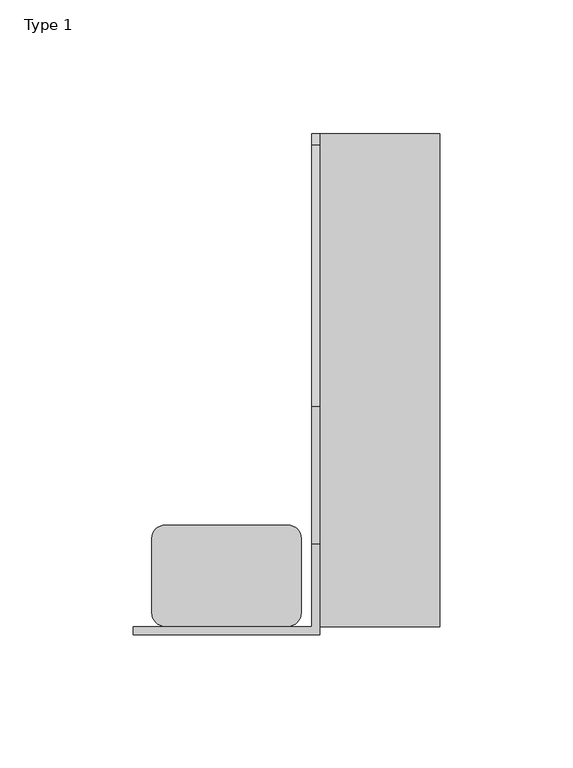
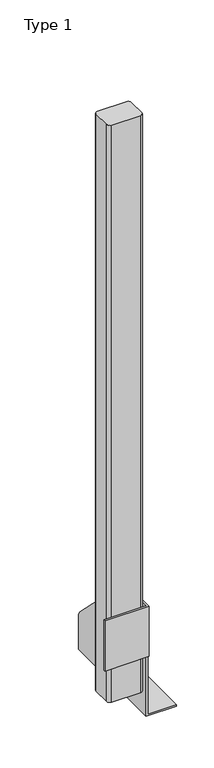
"""IFC4 building model written with IfcOpenShell, lengths in millimetres: railing geometry, Type 1."""

from ifc_helpers import new_model, si_unit, point, frame, frame_2d, origin, place, context, project, spatial, polyline, circle_curve, trimmed, segment, composite_curve, outline, extrude, source, transform, mapped, element, save
from ifc_brep_helpers import plane_surface, cylinder_surface, revolved_surface, advanced_brep


def type_1_0c5b25f1(model_context):
    return source(origin(), model_context, "Body", "SolidModel", [
        advanced_brep(
        [(60.0, -185.0, 185.0), (60.0, -154.0180942, 185.0), (60.0, -102.485009, 163.6542972), (60.0, -4.3933983, 65.5626865), (60.0, 0.0, 54.9560848), (60.0, 0.0, 0.0), (60.0, -185.0, 0.0), (60.0, -185.0, 100.9768514), (60.0, -98.1257325, 93.0361974), (60.0, -86.9136113, 93.0361974), (60.0, -165.5151515, 171.6377376), (60.0, -171.1212121, 166.031677), (60.0, -171.1212121, 143.5676849), (60.0, -159.9090909, 143.5676849), (60.0, -159.9090909, 157.7293746), (60.0, -157.417745, 159.9373618), (63.0, 0.0, 54.9560848), (63.0, -4.3933983, 65.5626865), (63.0, -102.485009, 163.6542972), (63.0, -154.0180942, 185.0), (63.0, -188.0, 185.0), (63.0, -188.0, 100.9768514), (63.0, -185.0, 100.9768514), (63.0, -185.0, 2.5), (63.0, 0.0, 2.5), (63.0, -98.1257325, 93.0361974), (63.0, -157.417745, 159.9373618), (63.0, -159.9090909, 157.7293746), (63.0, -159.9090909, 143.5676849), (63.0, -171.1212121, 143.5676849), (63.0, -171.1212121, 166.031677), (63.0, -165.5151515, 171.6377376), (63.0, -86.9136113, 93.0361974), (-7.0, -185.0, 185.0), (-7.0, -188.0, 185.0), (108.0, 0.0, 2.5), (108.0, 0.0, 0.0), (108.0, -185.0, 0.0), (108.0, -185.0, 2.5), (-7.0, -188.0, 100.9768514), (-7.0, -185.0, 100.9768514)],
        [
            (0, 1),
            (1, 2, circle_curve(frame((60.0, -154.0180942, 112.1212121), z_axis=(-1.0, 0.0, 0.0), x_axis=(0.0, -1.0, 0.0)), 72.8787879)),
            (2, 3),
            (3, 4, circle_curve(frame((60.0, -15.0, 54.9560848), z_axis=(-1.0, 0.0, 0.0), x_axis=(0.0, -1.0, 0.0)), 15.0)),
            (4, 5),
            (5, 6),
            (6, 7),
            (7, 0),
            (8, 9, circle_curve(frame((60.0, -92.5196719, 93.0361974), z_axis=(1.0, 0.0, 0.0), x_axis=(0.0, -1.0, 0.0)), 5.6060606)),
            (9, 10, circle_curve(frame((60.0, -165.5151515, 93.0361974), z_axis=(1.0, 0.0, 0.0), x_axis=(0.0, -1.0, 0.0)), 78.6015402)),
            (10, 11, circle_curve(frame((60.0, -165.5151515, 166.031677), z_axis=(1.0, 0.0, 0.0), x_axis=(0.0, -1.0, 0.0)), 5.6060606)),
            (11, 12),
            (12, 13, circle_curve(frame((60.0, -165.5151515, 143.5676849), z_axis=(1.0, 0.0, 0.0), x_axis=(0.0, -1.0, 0.0)), 5.6060606)),
            (13, 14),
            (14, 15, circle_curve(frame((60.0, -157.6849895, 157.7293746), z_axis=(-1.0, 0.0, 0.0), x_axis=(0.0, -1.0, 0.0)), 2.2241014)),
            (15, 8, circle_curve(frame((60.0, -165.5151515, 93.0361974), z_axis=(-1.0, 0.0, 0.0), x_axis=(0.0, -1.0, 0.0)), 67.389419)),
            (16, 17, circle_curve(frame((63.0, -15.0, 54.9560848), z_axis=(1.0, 0.0, 0.0), x_axis=(0.0, -1.0, 0.0)), 15.0)),
            (17, 18),
            (18, 19, circle_curve(frame((63.0, -154.0180942, 112.1212121), z_axis=(1.0, 0.0, 0.0), x_axis=(0.0, -1.0, 0.0)), 72.8787879)),
            (19, 20),
            (20, 21),
            (21, 22),
            (22, 23),
            (23, 24),
            (24, 16),
            (25, 26, circle_curve(frame((63.0, -165.5151515, 93.0361974), z_axis=(1.0, 0.0, 0.0), x_axis=(0.0, -1.0, 0.0)), 67.389419)),
            (26, 27, circle_curve(frame((63.0, -157.6849895, 157.7293746), z_axis=(1.0, 0.0, 0.0), x_axis=(0.0, -1.0, 0.0)), 2.2241014)),
            (27, 28),
            (28, 29, circle_curve(frame((63.0, -165.5151515, 143.5676849), z_axis=(-1.0, 0.0, 0.0), x_axis=(0.0, -1.0, 0.0)), 5.6060606)),
            (29, 30),
            (30, 31, circle_curve(frame((63.0, -165.5151515, 166.031677), z_axis=(-1.0, 0.0, 0.0), x_axis=(0.0, -1.0, 0.0)), 5.6060606)),
            (31, 32, circle_curve(frame((63.0, -165.5151515, 93.0361974), z_axis=(-1.0, 0.0, 0.0), x_axis=(0.0, -1.0, 0.0)), 78.6015402)),
            (32, 25, circle_curve(frame((63.0, -92.5196719, 93.0361974), z_axis=(-1.0, 0.0, 0.0), x_axis=(0.0, -1.0, 0.0)), 5.6060606)),
            (0, 33),
            (33, 34),
            (34, 20),
            (19, 1),
            (18, 2),
            (17, 3),
            (16, 4),
            (24, 35),
            (35, 36),
            (36, 5),
            (36, 37),
            (37, 6),
            (37, 38),
            (38, 23),
            (22, 7),
            (8, 25),
            (32, 9),
            (31, 10),
            (30, 11),
            (15, 26),
            (29, 12),
            (28, 13),
            (27, 14),
            (34, 39),
            (39, 21),
            (40, 33),
            (7, 40),
            (40, 39),
            (38, 35),
        ],
        [
            plane_surface(frame((60.0, -183.2270223, 185.0), z_axis=(-1.0, 0.0, 0.0), x_axis=(0.0, 1.0, 0.0))),
            plane_surface(frame((63.0, -183.2270223, 185.0), z_axis=(1.0, 0.0, 0.0), x_axis=(0.0, -1.0, 0.0))),
            plane_surface(frame((60.0, -185.0, 185.0), z_axis=(0.0, 0.0, 1.0), x_axis=(1.0, 0.0, 0.0))),
            cylinder_surface(frame((63.0, -154.0180942, 112.1212121), z_axis=(-1.0, 0.0, 0.0), x_axis=(0.0, -1.0, 0.0)), 72.8787879),
            plane_surface(frame((60.0, -102.485009, 163.6542972), z_axis=(0.0, 0.7071067811865421, 0.707106781186553), x_axis=(1.0, 0.0, 0.0))),
            cylinder_surface(frame((63.0, -15.0, 54.9560848), z_axis=(-1.0, 0.0, 0.0), x_axis=(0.0, -1.0, 0.0)), 15.0),
            plane_surface(frame((60.0, 0.0, 54.9560848), z_axis=(0.0, 1.0, 0.0), x_axis=(1.0, 0.0, 0.0))),
            plane_surface(frame((60.0, 0.0, 0.0), z_axis=(0.0, 0.0, -1.0), x_axis=(1.0, 0.0, 0.0))),
            plane_surface(frame((60.0, -185.0, 0.0), z_axis=(0.0, -1.0, 0.0), x_axis=(1.0, 0.0, 0.0))),
            revolved_surface(polyline([(63.0, -98.12573250000001, 93.0361974), (60.0, -98.12573250000001, 93.0361974)]), (63.0, -92.5196719, 93.0361974), (1.0, 0.0, 0.0)),
            revolved_surface(polyline([(63.0, -244.1166917, 93.0361974), (60.0, -244.1166917, 93.0361974)]), (63.0, -165.5151515, 93.0361974), (1.0, 0.0, 0.0)),
            revolved_surface(polyline([(63.0, -171.1212121, 166.031677), (60.0, -171.1212121, 166.031677)]), (63.0, -165.5151515, 166.031677), (1.0, 0.0, 0.0)),
            cylinder_surface(frame((63.0, -165.5151515, 93.0361974), z_axis=(-1.0, 0.0, 0.0), x_axis=(0.0, -1.0, 0.0)), 67.389419),
            plane_surface(frame((60.0, -171.1212121, 166.031677), z_axis=(0.0, 1.0, 0.0), x_axis=(1.0, 0.0, 0.0))),
            revolved_surface(polyline([(63.0, -171.1212121, 143.5676849), (60.0, -171.1212121, 143.5676849)]), (63.0, -165.5151515, 143.5676849), (1.0, 0.0, 0.0)),
            plane_surface(frame((60.0, -159.9090909, 143.5676849), z_axis=(0.0, -1.0, 0.0), x_axis=(1.0, 0.0, 0.0))),
            cylinder_surface(frame((63.0, -157.6849895, 157.7293746), z_axis=(-1.0, 0.0, 0.0), x_axis=(0.0, -1.0, 0.0)), 2.2241014),
            plane_surface(frame((-7.0, -188.0, 185.0), z_axis=(0.0, -1.0, 0.0), x_axis=(-1.0, 0.0, 0.0))),
            plane_surface(frame((-7.0, -185.0, 185.0), z_axis=(0.0, 1.0, 0.0), x_axis=(1.0, 0.0, 0.0))),
            plane_surface(frame((-7.0, -188.0, 185.0), z_axis=(-1.0, 0.0, 0.0), x_axis=(0.0, 1.0, 0.0))),
            plane_surface(frame((-7.0, -188.0, 100.9768514), z_axis=(0.0, 0.0, -1.0), x_axis=(0.0, 1.0, 0.0))),
            plane_surface(frame((108.0, -185.0, 2.5), z_axis=(0.0, 0.0, 1.0), x_axis=(0.0, 1.0, 0.0))),
            plane_surface(frame((108.0, -185.0, 2.5), z_axis=(1.0, 0.0, 0.0), x_axis=(0.0, 0.0, -1.0))),
        ],
        [
            (0, [[1, 2, 3, 4, 5, 6, 7, 8], [9, 10, 11, 12, 13, 14, 15, 16]]),
            (1, [[17, 18, 19, 20, 21, 22, 23, 24, 25], [26, 27, 28, 29, 30, 31, 32, 33]]),
            (2, [[-1, 34, 35, 36, -20, 37]]),
            (3, [[-2, -37, -19, 38]]),
            (4, [[-3, -38, -18, 39]]),
            (5, [[-4, -39, -17, 40]]),
            (6, [[-5, -40, -25, 41, 42, 43]]),
            (7, [[-6, -43, 44, 45]]),
            (8, [[-45, 46, 47, -23, 48, -7]]),
            (9, [[-9, 49, -33, 50]]),
            (10, [[-10, -50, -32, 51]]),
            (11, [[-11, -51, -31, 52]]),
            (12, [[-16, 53, -26, -49]]),
            (13, [[-12, -52, -30, 54]]),
            (14, [[-13, -54, -29, 55]]),
            (15, [[-14, -55, -28, 56]]),
            (16, [[-15, -56, -27, -53]]),
            (17, [[-36, 57, 58, -21]]),
            (18, [[59, -34, -8, 60]]),
            (19, [[-57, -35, -59, 61]]),
            (20, [[-58, -61, -60, -48, -22]]),
            (21, [[62, -41, -24, -47]]),
            (22, [[-62, -46, -44, -42]]),
        ],
    ),
        extrude(outline(composite_curve([segment(trimmed(circle_curve(frame_2d((5.0, -180.0)), 5.0), [point((5.0, -185.0))], [point((0.0, -180.0))], False, "CARTESIAN"), True, "CONTINUOUS"), segment(polyline([(0.0, -180.0), (0.0, -152.0)]), True, "CONTINUOUS"), segment(trimmed(circle_curve(frame_2d((5.0, -152.0)), 5.0), [point((0.0, -152.0))], [point((5.0, -147.0))], False, "CARTESIAN"), True, "CONTINUOUS"), segment(polyline([(5.0, -147.0), (51.0, -147.0)]), True, "CONTINUOUS"), segment(trimmed(circle_curve(frame_2d((51.0, -152.0)), 5.0), [point((51.0, -147.0))], [point((56.0, -152.0))], False, "CARTESIAN"), True, "CONTINUOUS"), segment(polyline([(56.0, -152.0), (56.0, -180.0)]), True, "CONTINUOUS"), segment(trimmed(circle_curve(frame_2d((51.0, -180.0)), 5.0), [point((56.0, -180.0))], [point((51.0, -185.0))], False, "CARTESIAN"), True, "CONTINUOUS"), segment(polyline([(51.0, -185.0), (5.0, -185.0)]), True, "CONTINUOUS")], self_intersect=False)), frame((0.0, 0.0, 43.0), z_axis=(0.0, 0.0, 1.0), x_axis=(1.0, 0.0, 0.0)), (0.0, 0.0, 1.0), 965.0),
    ])


if __name__ == "__main__":
    model = new_model("IFC4")
    model_context = context("Model", 3, world=origin())
    ifc_project = project(units=[si_unit("LENGTHUNIT", "METRE", prefix="MILLI")], contexts=[model_context])
    site = spatial("IfcSite", under=ifc_project)
    building = spatial("IfcBuilding", under=site)
    placement = place(None, origin())
    type_1_shape = type_1_0c5b25f1(model_context)
    element("IfcRailing", 1, ObjectType="Type 1", at=placement, inside=building, context=model_context, shape_type="MappedRepresentation", body=[
        mapped(type_1_shape, transform((0.0, 0.0, 0.0), x_axis=(1.0, 0.0, 0.0), y_axis=(0.0, 1.0, 0.0), z_axis=(0.0, 0.0, 1.0))),
    ])
    save(model, "model.ifc")
